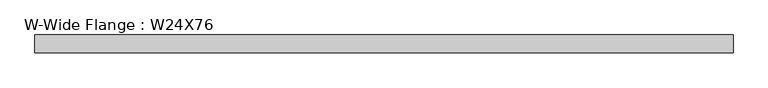
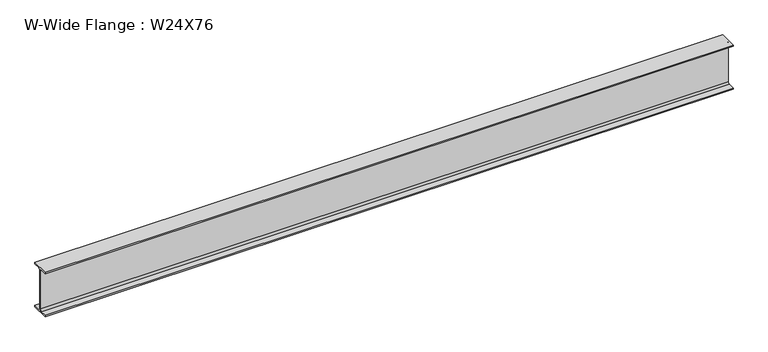
"""IFC4 building model written with IfcOpenShell, lengths in millimetres: beam geometry, W-Wide Flange : W24X76."""

from ifc_helpers import new_model, si_unit, point, frame, frame_2d, origin, place, context, project, spatial, polyline, circle_curve, trimmed, segment, composite_curve, outline, extrude, source, transform, mapped, element, save


def w_wide_flange_w24x76_ac28d41c(model_context):
    return source(origin(), model_context, "Body", "SweptSolid", [
        extrude(outline(composite_curve([segment(polyline([(114.1511719, -286.2460938), (114.1511719, -303.5101563), (-114.1511719, -303.5101563), (-114.1511719, -286.2460938), (-28.0292969, -286.2460938)]), True, "CONTINUOUS"), segment(trimmed(circle_curve(frame_2d((-28.0292969, -263.8226563)), 22.4234375), [point((-28.0292969, -286.2460938))], [point((-5.6058594, -263.8226563))], True, "CARTESIAN"), True, "CONTINUOUS"), segment(polyline([(-5.6058594, -263.8226563), (-5.6058594, 263.8226562)]), True, "CONTINUOUS"), segment(trimmed(circle_curve(frame_2d((-28.0292969, 263.8226562)), 22.4234375), [point((-5.6058594, 263.8226562))], [point((-28.0292969, 286.2460937))], True, "CARTESIAN"), True, "CONTINUOUS"), segment(polyline([(-28.0292969, 286.2460937), (-114.1511719, 286.2460937), (-114.1511719, 303.5101562), (114.1511719, 303.5101562), (114.1511719, 286.2460937), (28.0292969, 286.2460937)]), True, "CONTINUOUS"), segment(trimmed(circle_curve(frame_2d((28.0292969, 263.8226562)), 22.4234375), [point((28.0292969, 286.2460937))], [point((5.6058594, 263.8226562))], True, "CARTESIAN"), True, "CONTINUOUS"), segment(polyline([(5.6058594, 263.8226562), (5.6058594, -263.8226563)]), True, "CONTINUOUS"), segment(trimmed(circle_curve(frame_2d((28.0292969, -263.8226563)), 22.4234375), [point((5.6058594, -263.8226563))], [point((28.0292969, -286.2460938))], True, "CARTESIAN"), True, "CONTINUOUS"), segment(polyline([(28.0292969, -286.2460938), (114.1511719, -286.2460938)]), True, "CONTINUOUS")], self_intersect=False)), frame((-4456.7078125, 0.0, 0.0), z_axis=(1.0, 0.0, 0.0), x_axis=(0.0, 1.0, 0.0)), (0.0, 0.0, 1.0), 8913.415625),
    ])


if __name__ == "__main__":
    model = new_model("IFC4")
    model_context = context("Model", 3, world=origin())
    ifc_project = project(units=[si_unit("LENGTHUNIT", "METRE", prefix="MILLI")], contexts=[model_context])
    site = spatial("IfcSite", under=ifc_project)
    building = spatial("IfcBuilding", under=site)
    placement = place(None, origin())
    w_wide_flange_w24x76_shape = w_wide_flange_w24x76_ac28d41c(model_context)
    element("IfcBeam", 1, ObjectType="W-Wide Flange : W24X76", at=placement, inside=building, context=model_context, shape_type="MappedRepresentation", body=[
        mapped(w_wide_flange_w24x76_shape, transform((0.0, 0.0, 0.0), x_axis=(1.0, 0.0, 0.0), y_axis=(0.0, 1.0, 0.0), z_axis=(0.0, 0.0, 1.0))),
    ])
    save(model, "model.ifc")
